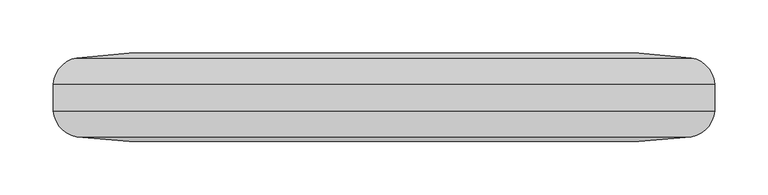
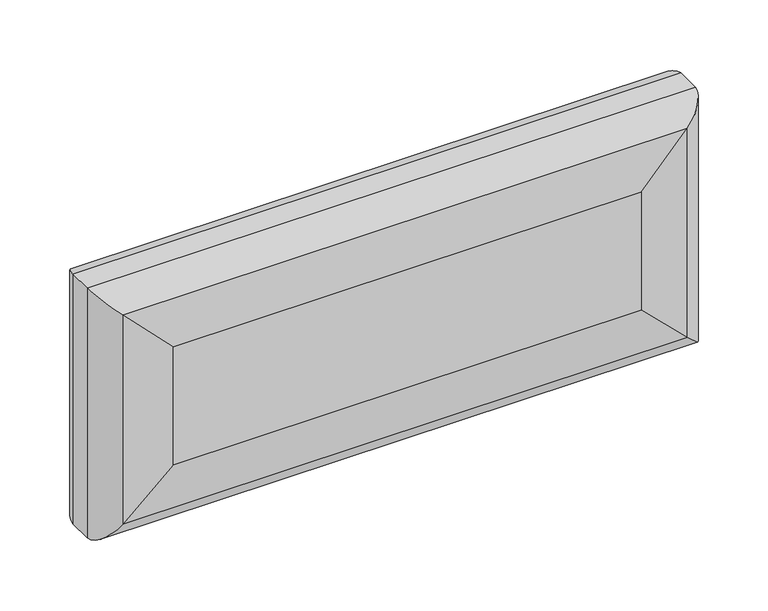
"""IFC4 building model written with IfcOpenShell, lengths in millimetres: furniture geometry."""

from ifc_helpers import new_model, si_unit, frame, origin, place, context, project, spatial, ellipse_curve, source, transform, mapped, element, save
from ifc_brep_helpers import plane_surface, cylinder_surface, advanced_brep


def furniture_a78c96da(model_context):
    return source(origin(), model_context, "Body", "AdvancedBrep", [
        advanced_brep(
        [(600.1526893, 93.4547068, 473.1240882), (1076.3045129, 93.4547068, 473.1240882), (1076.3045129, 93.4547068, 600.0259118), (600.1526893, 93.4547068, 600.0259118), (600.1526893, 176.0047068, 600.0259118), (1076.3045129, 176.0047068, 600.0259118), (1076.3045129, 176.0047068, 473.1240882), (600.1526893, 176.0047068, 473.1240882), (550.9753271, 171.7321704, 423.946726), (550.9753271, 171.7321704, 649.203274), (529.1099043, 147.3793507, 402.0813032), (529.1099043, 147.3793507, 671.0686968), (529.1099043, 122.0800628, 402.0813032), (529.1099043, 122.0800628, 671.0686968), (550.9753271, 97.7272431, 423.946726), (550.9753271, 97.7272431, 649.203274), (1125.4818752, 171.7321704, 423.946726), (1147.3472979, 147.3793507, 402.0813032), (1147.3472979, 122.0800628, 402.0813032), (1125.4818752, 97.7272431, 423.946726), (1125.4818752, 171.7321704, 649.203274), (1147.3472979, 147.3793507, 671.0686968), (1147.3472979, 122.0800628, 671.0686968), (1125.4818752, 97.7272431, 649.203274)],
        [
            (0, 1),
            (1, 2),
            (2, 3),
            (3, 0),
            (4, 5),
            (5, 6),
            (6, 7),
            (7, 4),
            (7, 8, ellipse_curve(frame((600.1526893, -109.1499807, 473.1240882), z_axis=(-0.7071067811865475, 0.0, 0.7071067811865475), x_axis=(0.7071067811865474, 0.0, 0.7071067811865476)), 403.2696264, 285.1546875)),
            (8, 9),
            (9, 4, ellipse_curve(frame((600.1526893, -109.1499807, 600.0259118), z_axis=(-0.7071067811865475, 0.0, -0.7071067811865475), x_axis=(-0.7071067811865474, 0.0, 0.7071067811865476)), 403.2696264, 285.1546875)),
            (8, 10, ellipse_curve(frame((555.5439964, 145.6376908, 428.5153953), z_axis=(-0.7071067811865475, 0.0, 0.7071067811865475), x_axis=(0.7071067811865474, 0.0, 0.7071067811865476)), 37.464506, 26.4914063)),
            (10, 11),
            (11, 9, ellipse_curve(frame((555.5439964, 145.6376908, 644.6346047), z_axis=(-0.7071067811865475, 0.0, -0.7071067811865475), x_axis=(-0.7071067811865474, 0.0, 0.7071067811865476)), 37.464506, 26.4914063)),
            (10, 12, ellipse_curve(frame((721.100233, 134.7297068, 594.0716318), z_axis=(-0.7071067811865475, 0.0, 0.7071067811865475), x_axis=(0.7071067811865474, 0.0, 0.7071067811865476)), 272.1040234, 192.4066002)),
            (12, 13),
            (13, 11, ellipse_curve(frame((721.100233, 134.7297068, 479.0783682), z_axis=(-0.7071067811865475, 0.0, -0.7071067811865475), x_axis=(-0.7071067811865474, 0.0, 0.7071067811865476)), 272.1040234, 192.4066002)),
            (12, 14, ellipse_curve(frame((555.5439964, 123.8217227, 428.5153953), z_axis=(-0.7071067811865475, 0.0, 0.7071067811865475), x_axis=(0.7071067811865474, 0.0, 0.7071067811865476)), 37.464506, 26.4914063)),
            (14, 15),
            (15, 13, ellipse_curve(frame((555.5439964, 123.8217227, 644.6346047), z_axis=(-0.7071067811865475, 0.0, -0.7071067811865475), x_axis=(-0.7071067811865474, 0.0, 0.7071067811865476)), 37.464506, 26.4914063)),
            (3, 15, ellipse_curve(frame((600.1526893, 378.6093943, 600.0259118), z_axis=(-0.7071067811865475, 0.0, -0.7071067811865475), x_axis=(-0.7071067811865474, 0.0, 0.7071067811865476)), 403.2696264, 285.1546875)),
            (14, 0, ellipse_curve(frame((600.1526893, 378.6093943, 473.1240882), z_axis=(-0.7071067811865475, 0.0, 0.7071067811865475), x_axis=(0.7071067811865474, 0.0, 0.7071067811865476)), 403.2696264, 285.1546875)),
            (6, 16, ellipse_curve(frame((1076.3045129, -109.1499807, 473.1240882), z_axis=(-0.7071067811865475, 0.0, -0.7071067811865475), x_axis=(-0.7071067811865476, 0.0, 0.7071067811865474)), 403.2696264, 285.1546875)),
            (16, 8),
            (16, 17, ellipse_curve(frame((1120.9132058, 145.6376908, 428.5153953), z_axis=(-0.7071067811865475, 0.0, -0.7071067811865475), x_axis=(-0.7071067811865476, 0.0, 0.7071067811865474)), 37.464506, 26.4914063)),
            (17, 10),
            (17, 18, ellipse_curve(frame((955.3569693, 134.7297068, 594.0716318), z_axis=(-0.7071067811865475, 0.0, -0.7071067811865475), x_axis=(-0.7071067811865476, 0.0, 0.7071067811865474)), 272.1040234, 192.4066002)),
            (18, 12),
            (18, 19, ellipse_curve(frame((1120.9132058, 123.8217227, 428.5153953), z_axis=(-0.7071067811865475, 0.0, -0.7071067811865475), x_axis=(-0.7071067811865476, 0.0, 0.7071067811865474)), 37.464506, 26.4914063)),
            (19, 14),
            (19, 1, ellipse_curve(frame((1076.3045129, 378.6093943, 473.1240882), z_axis=(-0.7071067811865475, 0.0, -0.7071067811865475), x_axis=(-0.7071067811865476, 0.0, 0.7071067811865474)), 403.2696264, 285.1546875)),
            (5, 20, ellipse_curve(frame((1076.3045129, -109.1499807, 600.0259118), z_axis=(0.7071067811865475, 0.0, -0.7071067811865475), x_axis=(-0.7071067811865474, 0.0, -0.7071067811865476)), 403.2696264, 285.1546875)),
            (20, 16),
            (20, 21, ellipse_curve(frame((1120.9132058, 145.6376908, 644.6346047), z_axis=(0.7071067811865475, 0.0, -0.7071067811865475), x_axis=(-0.7071067811865474, 0.0, -0.7071067811865476)), 37.464506, 26.4914063)),
            (21, 17),
            (21, 22, ellipse_curve(frame((955.3569693, 134.7297068, 479.0783682), z_axis=(0.7071067811865475, 0.0, -0.7071067811865475), x_axis=(-0.7071067811865474, 0.0, -0.7071067811865476)), 272.1040234, 192.4066002)),
            (22, 18),
            (22, 23, ellipse_curve(frame((1120.9132058, 123.8217227, 644.6346047), z_axis=(0.7071067811865475, 0.0, -0.7071067811865475), x_axis=(-0.7071067811865474, 0.0, -0.7071067811865476)), 37.464506, 26.4914063)),
            (23, 19),
            (23, 2, ellipse_curve(frame((1076.3045129, 378.6093943, 600.0259118), z_axis=(0.7071067811865475, 0.0, -0.7071067811865475), x_axis=(-0.7071067811865474, 0.0, -0.7071067811865476)), 403.2696264, 285.1546875)),
            (9, 20),
            (11, 21),
            (13, 22),
            (15, 23),
        ],
        [
            plane_surface(frame((1076.3045129, 93.4547068, 600.0259118), z_axis=(0.0, -1.0, 0.0), x_axis=(-1.0, 0.0, 0.0))),
            plane_surface(frame((1060.4786011, 176.0047068, 584.2), z_axis=(0.0, 1.0, 0.0), x_axis=(-1.0, 0.0, 0.0))),
            cylinder_surface(frame((600.1526893, -109.1499807, 584.2), z_axis=(0.0, 0.0, 1.0), x_axis=(0.0, -1.0, 0.0)), 285.1546875),
            cylinder_surface(frame((555.5439964, 145.6376908, 584.2), z_axis=(0.0, 0.0, 1.0), x_axis=(0.0, -1.0, 0.0)), 26.4914063),
            cylinder_surface(frame((721.100233, 134.7297068, 584.2), z_axis=(0.0, 0.0, 1.0), x_axis=(0.0, -1.0, 0.0)), 192.4066002),
            cylinder_surface(frame((555.5439964, 123.8217227, 584.2), z_axis=(0.0, 0.0, 1.0), x_axis=(0.0, -1.0, 0.0)), 26.4914063),
            cylinder_surface(frame((600.1526893, 378.6093943, 584.2), z_axis=(0.0, 0.0, 1.0), x_axis=(0.0, -1.0, 0.0)), 285.1546875),
            cylinder_surface(frame((615.9786011, -109.1499807, 473.1240882), z_axis=(-1.0, 0.0, 0.0), x_axis=(0.0, -1.0, 0.0)), 285.1546875),
            cylinder_surface(frame((615.9786011, 145.6376908, 428.5153953), z_axis=(-1.0, 0.0, 0.0), x_axis=(0.0, -1.0, 0.0)), 26.4914063),
            cylinder_surface(frame((615.9786011, 134.7297068, 594.0716318), z_axis=(-1.0, 0.0, 0.0), x_axis=(0.0, -1.0, 0.0)), 192.4066002),
            cylinder_surface(frame((615.9786011, 123.8217227, 428.5153953), z_axis=(-1.0, 0.0, 0.0), x_axis=(0.0, -1.0, 0.0)), 26.4914063),
            cylinder_surface(frame((615.9786011, 378.6093943, 473.1240882), z_axis=(-1.0, 0.0, 0.0), x_axis=(0.0, -1.0, 0.0)), 285.1546875),
            cylinder_surface(frame((1076.3045129, -109.1499807, 488.95), z_axis=(0.0, 0.0, -1.0), x_axis=(0.0, -1.0, 0.0)), 285.1546875),
            cylinder_surface(frame((1120.9132058, 145.6376908, 488.95), z_axis=(0.0, 0.0, -1.0), x_axis=(0.0, -1.0, 0.0)), 26.4914063),
            cylinder_surface(frame((955.3569693, 134.7297068, 488.95), z_axis=(0.0, 0.0, -1.0), x_axis=(0.0, -1.0, 0.0)), 192.4066002),
            cylinder_surface(frame((1120.9132058, 123.8217227, 488.95), z_axis=(0.0, 0.0, -1.0), x_axis=(0.0, -1.0, 0.0)), 26.4914063),
            cylinder_surface(frame((1076.3045129, 378.6093943, 488.95), z_axis=(0.0, 0.0, -1.0), x_axis=(0.0, -1.0, 0.0)), 285.1546875),
            cylinder_surface(frame((1060.4786011, -109.1499807, 600.0259118), z_axis=(1.0, 0.0, 0.0), x_axis=(0.0, -1.0, 0.0)), 285.1546875),
            cylinder_surface(frame((1060.4786011, 145.6376908, 644.6346047), z_axis=(1.0, 0.0, 0.0), x_axis=(0.0, -1.0, 0.0)), 26.4914063),
            cylinder_surface(frame((1060.4786011, 134.7297068, 479.0783682), z_axis=(1.0, 0.0, 0.0), x_axis=(0.0, -1.0, 0.0)), 192.4066002),
            cylinder_surface(frame((1060.4786011, 123.8217227, 644.6346047), z_axis=(1.0, 0.0, 0.0), x_axis=(0.0, -1.0, 0.0)), 26.4914063),
            cylinder_surface(frame((1060.4786011, 378.6093943, 600.0259118), z_axis=(1.0, 0.0, 0.0), x_axis=(0.0, -1.0, 0.0)), 285.1546875),
        ],
        [
            (0, [[1, 2, 3, 4]]),
            (1, [[5, 6, 7, 8]]),
            (2, [[-8, 9, 10, 11]]),
            (3, [[-10, 12, 13, 14]]),
            (4, [[-13, 15, 16, 17]]),
            (5, [[-16, 18, 19, 20]]),
            (6, [[-4, 21, -19, 22]]),
            (7, [[-7, 23, 24, -9]]),
            (8, [[-12, -24, 25, 26]]),
            (9, [[-15, -26, 27, 28]]),
            (10, [[-18, -28, 29, 30]]),
            (11, [[-1, -22, -30, 31]]),
            (12, [[-6, 32, 33, -23]]),
            (13, [[-25, -33, 34, 35]]),
            (14, [[-27, -35, 36, 37]]),
            (15, [[-29, -37, 38, 39]]),
            (16, [[-2, -31, -39, 40]]),
            (17, [[-5, -11, 41, -32]]),
            (18, [[-14, 42, -34, -41]]),
            (19, [[-17, 43, -36, -42]]),
            (20, [[-20, 44, -38, -43]]),
            (21, [[-3, -40, -44, -21]]),
        ],
    ),
    ])


if __name__ == "__main__":
    model = new_model("IFC4")
    model_context = context("Model", 3, world=origin())
    ifc_project = project(units=[si_unit("LENGTHUNIT", "METRE", prefix="MILLI")], contexts=[model_context])
    site = spatial("IfcSite", under=ifc_project)
    building = spatial("IfcBuilding", under=site)
    placement = place(None, origin())
    furniture_shape = furniture_a78c96da(model_context)
    element("IfcFurniture", 1, at=placement, inside=building, context=model_context, shape_type="MappedRepresentation", body=[
        mapped(furniture_shape, transform((0.0, 0.0, 0.0), x_axis=(1.0, 0.0, 0.0), y_axis=(0.0, 1.0, 0.0), z_axis=(0.0, 0.0, 1.0))),
    ])
    save(model, "model.ifc")
